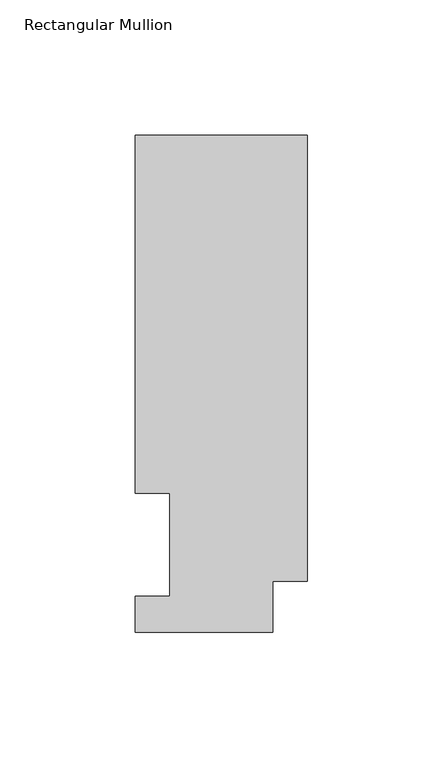
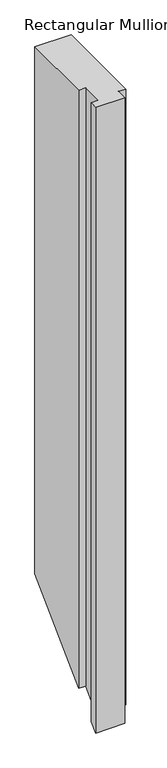
"""IFC4 building model written with IfcOpenShell, lengths in millimetres: member geometry, Rectangular Mullion."""

from ifc_helpers import new_model, si_unit, origin, place, context, project, spatial, faceted_brep, source, transform, mapped, element, save


def rectangular_mullion_dc3ac1f4(model_context):
    return source(origin(), model_context, "Body", "Brep", [
        faceted_brep([(0.0, 183.4446737, 0.0), (-63.5, 183.4446737, 0.0), (-63.5, 51.2960937, 0.0), (-50.8, 51.2960937, 0.0), (-50.8, 13.1960937, 0.0), (-63.5, 13.1960937, 0.0), (-63.5, 0.0134937, 0.0), (-12.7, 0.0134937, 0.0), (-12.7, 18.7332937, 0.0), (0.0, 18.7332937, 0.0), (0.0, 183.4446737, -972.26882), (-63.5, 183.4446737, -972.26882), (-63.5, 51.2960938, -1104.4174), (-50.8, 51.2960937, -1104.4174), (-50.8, 13.1960937, -1142.5174), (-63.5, 13.1960937, -1142.5174), (-63.5, 0.0134937, -1155.7), (-12.7, 0.0134937, -1155.7), (-12.7, 18.7332937, -1136.9802), (0.0, 18.7332937, -1136.9802)], [[[0, 1, 2, 3, 4, 5, 6, 7, 8, 9]], [[1, 0, 10, 11]], [[3, 2, 12, 13]], [[4, 3, 13, 14]], [[5, 4, 14, 15]], [[6, 5, 15, 16]], [[8, 7, 17, 18]], [[7, 6, 16, 17]], [[9, 8, 18, 19]], [[0, 9, 19, 10]], [[10, 19, 18, 17, 16, 15, 14, 13, 12, 11]], [[2, 1, 11, 12]]]),
    ])


if __name__ == "__main__":
    model = new_model("IFC4")
    model_context = context("Model", 3, world=origin())
    ifc_project = project(units=[si_unit("LENGTHUNIT", "METRE", prefix="MILLI")], contexts=[model_context])
    site = spatial("IfcSite", under=ifc_project)
    building = spatial("IfcBuilding", under=site)
    placement = place(None, origin())
    rectangular_mullion_shape = rectangular_mullion_dc3ac1f4(model_context)
    element("IfcMember", 1, ObjectType="Rectangular Mullion", at=placement, inside=building, context=model_context, shape_type="MappedRepresentation", body=[
        mapped(rectangular_mullion_shape, transform((0.0, 0.0, 0.0), x_axis=(1.0, 0.0, 0.0), y_axis=(0.0, 1.0, 0.0), z_axis=(0.0, 0.0, 1.0))),
    ])
    save(model, "model.ifc")
